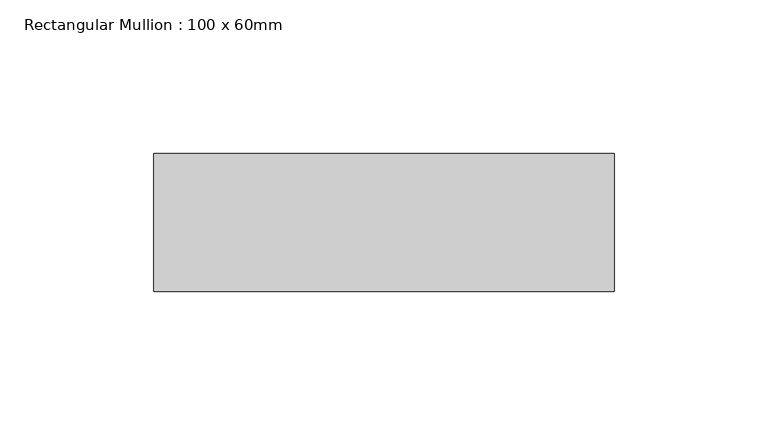
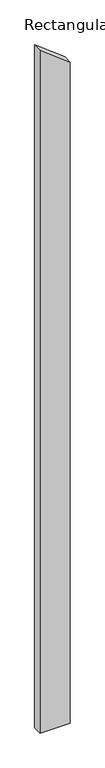
"""IFC4 building model written with IfcOpenShell, lengths in millimetres: member geometry, Rectangular Mullion : 100 x 60mm."""

from ifc_helpers import new_model, si_unit, frame, origin, place, context, project, spatial, polyline, outline, extrude, source, transform, mapped, element, save


def rectangular_mullion_100_x_60mm_696266ae(model_context):
    return source(origin(), model_context, "Body", "SweptSolid", [
        extrude(outline(polyline([(-186.9590466, 75.0), (-71.8599985, -75.0), (-3648.3766711, -75.0), (-3648.3766711, 75.0), (-186.9590466, 75.0)])), frame((0.0, -15.0, 0.0), z_axis=(0.0, 1.0, 0.0), x_axis=(0.0, 0.0, 1.0)), (0.0, 0.0, 1.0), 45.0),
    ])


if __name__ == "__main__":
    model = new_model("IFC4")
    model_context = context("Model", 3, world=origin())
    ifc_project = project(units=[si_unit("LENGTHUNIT", "METRE", prefix="MILLI")], contexts=[model_context])
    site = spatial("IfcSite", under=ifc_project)
    building = spatial("IfcBuilding", under=site)
    placement = place(None, origin())
    rectangular_mullion_100_x_60mm_shape = rectangular_mullion_100_x_60mm_696266ae(model_context)
    element("IfcMember", 1, ObjectType="Rectangular Mullion : 100 x 60mm", at=placement, inside=building, context=model_context, shape_type="MappedRepresentation", body=[
        mapped(rectangular_mullion_100_x_60mm_shape, transform((0.0, 0.0, 0.0), x_axis=(1.0, 0.0, 0.0), y_axis=(0.0, 1.0, 0.0), z_axis=(0.0, 0.0, 1.0))),
    ])
    save(model, "model.ifc")
